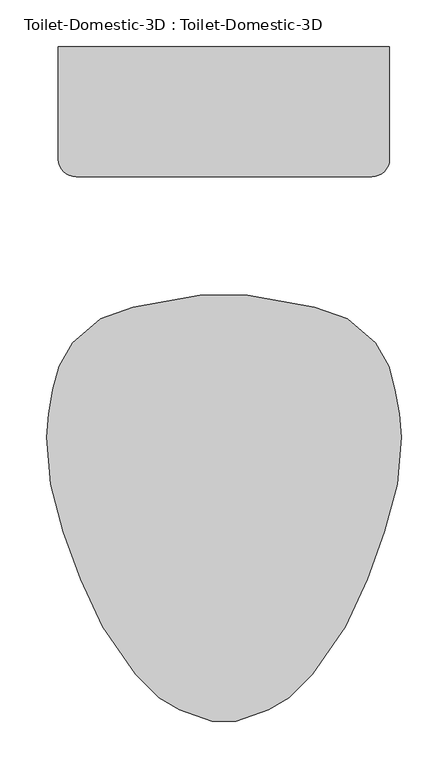
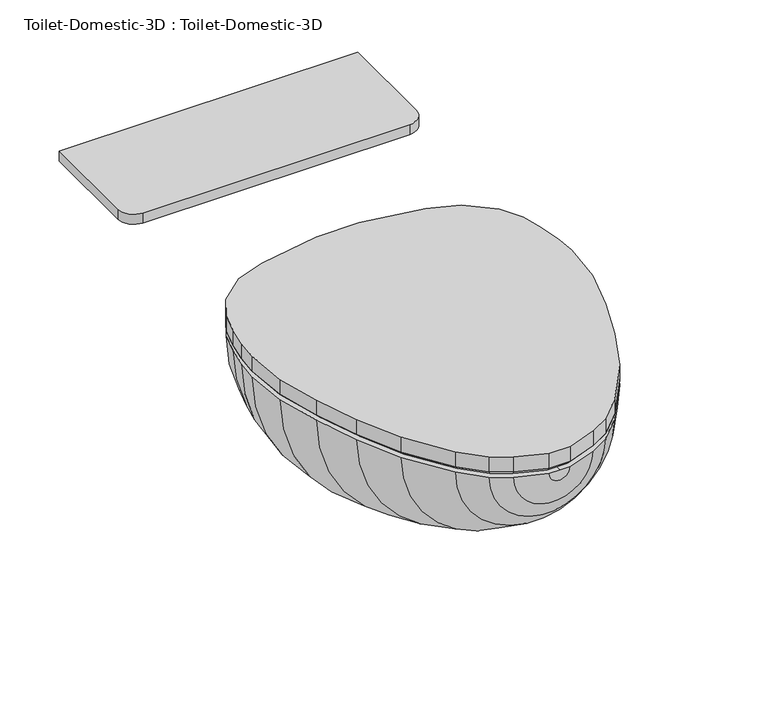
"""IFC4 building model written with IfcOpenShell, lengths in millimetres: flow terminal geometry, Toilet-Domestic-3D : Toilet-Domestic-3D."""

from ifc_helpers import new_model, si_unit, point, frame, frame_2d, origin, place, context, project, spatial, polyline, circle_curve, trimmed, segment, composite_curve, outline, extrude, faceted_brep, source, transform, mapped, element, save
from ifc_brep_helpers import plane_surface, revolved_surface, advanced_brep


def toilet_domestic_3d_toilet_domestic_3d_183bbd19(model_context):
    return source(origin(), model_context, "Body", "SolidModel", [
        advanced_brep(
        [(-25.4, 152.4, 361.95), (-97.4252791, 139.7, 361.95), (-132.3182423, 127.0, 361.95), (-162.5887836, 101.6, 361.95), (-176.9845865, 76.2, 361.95), (-183.790496, 50.8, 361.95), (-188.2862441, 25.3033453, 361.95), (-190.5, 0.0, 361.95), (-186.0724883, -50.6066907, 361.95), (-172.4088722, -101.6, 361.95), (-153.9191843, -152.4, 361.95), (-130.2307553, -203.2, 361.95), (-94.9900085, -254.0, 361.95), (-69.5900085, -279.4, 361.95), (-47.5929632, -292.1, 361.95), (-12.7, -304.8, 361.95), (0.0, -304.8, 361.95), (0.0, -284.592034, 361.95), (-12.5224565, -284.592034, 361.95), (-39.5113323, -274.7688865, 361.95), (-58.4178985, -263.8531754, 361.95), (-79.2146703, -243.0564036, 361.95), (-114.0255101, -192.8761202, 361.95), (-136.654021, -144.3491221, 361.95), (-154.575847, -95.1093097, 361.95), (-167.7238545, -46.0402777, 361.95), (-171.5645445, -2.1409906, 361.95), (-169.3087351, 23.6430284, 361.95), (-165.101298, 47.5045901, 361.95), (-159.5484355, 68.2281551, 361.95), (-146.1085923, 90.5605136, 361.95), (-121.9980886, 110.7916284, 361.95), (-94.1172813, 120.9394123, 361.95), (-22.0920022, 133.6394123, 361.95), (0.0, 133.6394123, 361.95), (0.0, 152.4, 361.95), (25.4, 152.4, 361.95), (22.0920022, 133.6394123, 361.95), (94.1172813, 120.9394123, 361.95), (121.9980886, 110.7916284, 361.95), (146.1085923, 90.5605136, 361.95), (159.5484355, 68.2281551, 361.95), (165.101298, 47.5045901, 361.95), (169.3087351, 23.6430284, 361.95), (171.5645445, -2.1409906, 361.95), (167.7238545, -46.0402777, 361.95), (154.575847, -95.1093097, 361.95), (136.654021, -144.3491221, 361.95), (114.0255101, -192.8761202, 361.95), (79.2146703, -243.0564036, 361.95), (58.4178985, -263.8531754, 361.95), (39.5113323, -274.7688865, 361.95), (12.5224565, -284.592034, 361.95), (12.7, -304.8, 361.95), (47.5929632, -292.1, 361.95), (69.5900085, -279.4, 361.95), (94.9900085, -254.0, 361.95), (130.2307553, -203.2, 361.95), (153.9191843, -152.4, 361.95), (172.4088722, -101.6, 361.95), (186.0724883, -50.6066907, 361.95), (190.5, 0.0, 361.95), (188.2862441, 25.3033453, 361.95), (183.790496, 50.8, 361.95), (176.9845865, 76.2, 361.95), (162.5887836, 101.6, 361.95), (132.3182423, 127.0, 361.95), (97.4252791, 139.7, 361.95)],
        [
            (0, 1),
            (1, 2),
            (2, 3),
            (3, 4),
            (4, 5),
            (5, 6),
            (6, 7),
            (7, 8),
            (8, 9),
            (9, 10),
            (10, 11),
            (11, 12),
            (12, 13),
            (13, 14),
            (14, 15),
            (15, 16),
            (16, 17),
            (17, 18),
            (18, 19),
            (19, 20),
            (20, 21),
            (21, 22),
            (22, 23),
            (23, 24),
            (24, 25),
            (25, 26),
            (26, 27),
            (27, 28),
            (28, 29),
            (29, 30),
            (30, 31),
            (31, 32),
            (32, 33),
            (33, 34),
            (34, 35),
            (35, 0),
            (36, 35),
            (34, 37),
            (37, 38),
            (38, 39),
            (39, 40),
            (40, 41),
            (41, 42),
            (42, 43),
            (43, 44),
            (44, 45),
            (45, 46),
            (46, 47),
            (47, 48),
            (48, 49),
            (49, 50),
            (50, 51),
            (51, 52),
            (52, 17),
            (16, 53),
            (53, 54),
            (54, 55),
            (55, 56),
            (56, 57),
            (57, 58),
            (58, 59),
            (59, 60),
            (60, 61),
            (61, 62),
            (62, 63),
            (63, 64),
            (64, 65),
            (65, 66),
            (66, 67),
            (67, 36),
            (67, 1, circle_curve(frame((0.0, 139.7, 361.95), z_axis=(0.0, 1.0, 0.0), x_axis=(-1.0, 0.0, 0.0)), 97.4252791)),
            (0, 36, circle_curve(frame((0.0, 152.4, 361.95), z_axis=(0.0, -1.0, 0.0), x_axis=(-1.0, 0.0, 0.0)), 25.4)),
            (66, 2, circle_curve(frame((0.0, 127.0, 361.95), z_axis=(0.0, 1.0, 0.0), x_axis=(-1.0, 0.0, 0.0)), 132.3182423)),
            (65, 3, circle_curve(frame((0.0, 101.6, 361.95), z_axis=(0.0, 1.0, 0.0), x_axis=(-1.0, 0.0, 0.0)), 162.5887836)),
            (64, 4, circle_curve(frame((0.0, 76.2, 361.95), z_axis=(0.0, 1.0, 0.0), x_axis=(-1.0, 0.0, 0.0)), 176.9845865)),
            (63, 5, circle_curve(frame((0.0, 50.8, 361.95), z_axis=(0.0, 1.0, 0.0), x_axis=(-1.0, 0.0, 0.0)), 183.790496)),
            (62, 6, circle_curve(frame((0.0, 25.3033453, 361.95), z_axis=(0.0, 1.0, 0.0), x_axis=(-1.0, 0.0, 0.0)), 188.2862441)),
            (61, 7, circle_curve(frame((0.0, 0.0, 361.95), z_axis=(0.0, 1.0, 0.0), x_axis=(-1.0, 0.0, 0.0)), 190.5)),
            (60, 8, circle_curve(frame((0.0, -50.6066907, 361.95), z_axis=(0.0, 1.0, 0.0), x_axis=(-1.0, 0.0, 0.0)), 186.0724883)),
            (59, 9, circle_curve(frame((0.0, -101.6, 361.95), z_axis=(0.0, 1.0, 0.0), x_axis=(-1.0, 0.0, 0.0)), 172.4088722)),
            (58, 10, circle_curve(frame((0.0, -152.4, 361.95), z_axis=(0.0, 1.0, 0.0), x_axis=(-1.0, 0.0, 0.0)), 153.9191843)),
            (57, 11, circle_curve(frame((0.0, -203.2, 361.95), z_axis=(0.0, 1.0, 0.0), x_axis=(-1.0, 0.0, 0.0)), 130.2307553)),
            (56, 12, circle_curve(frame((0.0, -254.0, 361.95), z_axis=(0.0, 1.0, 0.0), x_axis=(-1.0, 0.0, 0.0)), 94.9900085)),
            (55, 13, circle_curve(frame((0.0, -279.4, 361.95), z_axis=(0.0, 1.0, 0.0), x_axis=(-1.0, 0.0, 0.0)), 69.5900085)),
            (54, 14, circle_curve(frame((0.0, -292.1, 361.95), z_axis=(0.0, 1.0, 0.0), x_axis=(-1.0, 0.0, 0.0)), 47.5929632)),
            (53, 15, circle_curve(frame((0.0, -304.8, 361.95), z_axis=(0.0, 1.0, 0.0), x_axis=(-1.0, 0.0, 0.0)), 12.7)),
            (52, 18, circle_curve(frame((0.0, -284.592034, 361.95), z_axis=(0.0, 1.0, 0.0), x_axis=(-1.0, 0.0, 0.0)), 12.5224565)),
            (51, 19, circle_curve(frame((0.0, -274.7688865, 361.95), z_axis=(0.0, 1.0, 0.0), x_axis=(-1.0, 0.0, 0.0)), 39.5113323)),
            (50, 20, circle_curve(frame((0.0, -263.8531754, 361.95), z_axis=(0.0, 1.0, 0.0), x_axis=(-1.0, 0.0, 0.0)), 58.4178985)),
            (49, 21, circle_curve(frame((0.0, -243.0564036, 361.95), z_axis=(0.0, 1.0, 0.0), x_axis=(-1.0, 0.0, 0.0)), 79.2146703)),
            (48, 22, circle_curve(frame((0.0, -192.8761202, 361.95), z_axis=(0.0, 1.0, 0.0), x_axis=(-1.0, 0.0, 0.0)), 114.0255101)),
            (47, 23, circle_curve(frame((0.0, -144.3491221, 361.95), z_axis=(0.0, 1.0, 0.0), x_axis=(-1.0, 0.0, 0.0)), 136.654021)),
            (46, 24, circle_curve(frame((0.0, -95.1093097, 361.95), z_axis=(0.0, 1.0, 0.0), x_axis=(-1.0, 0.0, 0.0)), 154.575847)),
            (45, 25, circle_curve(frame((0.0, -46.0402777, 361.95), z_axis=(0.0, 1.0, 0.0), x_axis=(-1.0, 0.0, 0.0)), 167.7238545)),
            (44, 26, circle_curve(frame((0.0, -2.1409906, 361.95), z_axis=(0.0, 1.0, 0.0), x_axis=(-1.0, 0.0, 0.0)), 171.5645445)),
            (43, 27, circle_curve(frame((0.0, 23.6430284, 361.95), z_axis=(0.0, 1.0, 0.0), x_axis=(-1.0, 0.0, 0.0)), 169.3087351)),
            (42, 28, circle_curve(frame((0.0, 47.5045901, 361.95), z_axis=(0.0, 1.0, 0.0), x_axis=(-1.0, 0.0, 0.0)), 165.101298)),
            (41, 29, circle_curve(frame((0.0, 68.2281551, 361.95), z_axis=(0.0, 1.0, 0.0), x_axis=(-1.0, 0.0, 0.0)), 159.5484355)),
            (40, 30, circle_curve(frame((0.0, 90.5605136, 361.95), z_axis=(0.0, 1.0, 0.0), x_axis=(-1.0, 0.0, 0.0)), 146.1085923)),
            (39, 31, circle_curve(frame((0.0, 110.7916284, 361.95), z_axis=(0.0, 1.0, 0.0), x_axis=(-1.0, 0.0, 0.0)), 121.9980886)),
            (38, 32, circle_curve(frame((0.0, 120.9394123, 361.95), z_axis=(0.0, 1.0, 0.0), x_axis=(-1.0, 0.0, 0.0)), 94.1172813)),
            (37, 33, circle_curve(frame((0.0, 133.6394123, 361.95), z_axis=(0.0, 1.0, 0.0), x_axis=(-1.0, 0.0, 0.0)), 22.0920022)),
        ],
        [
            plane_surface(frame((0.0, 175.1599017, 361.95), z_axis=(0.0, 0.0, 1.0), x_axis=(-1.0, 0.0, 0.0))),
            plane_surface(frame((0.0, 175.1599017, 361.95), z_axis=(0.0, 0.0, 1.0), x_axis=(1.0, 0.0, 0.0))),
            revolved_surface(polyline([(-25.4, 152.4, 361.95), (-97.4252791, 139.7, 361.95)]), (0.0, 175.1599017, 361.95), (0.0, -1.0, 0.0)),
            revolved_surface(polyline([(-97.4252791, 139.7, 361.95), (-132.3182423, 127.0, 361.95)]), (0.0, 175.1599017, 361.95), (0.0, -1.0, 0.0)),
            revolved_surface(polyline([(-132.3182423, 127.0, 361.95), (-162.5887836, 101.6, 361.95)]), (0.0, 175.1599017, 361.95), (0.0, -1.0, 0.0)),
            revolved_surface(polyline([(-162.5887836, 101.6, 361.95), (-176.9845865, 76.2, 361.95)]), (0.0, 175.1599017, 361.95), (0.0, -1.0, 0.0)),
            revolved_surface(polyline([(-176.9845865, 76.2, 361.95), (-183.790496, 50.8, 361.95)]), (0.0, 175.1599017, 361.95), (0.0, -1.0, 0.0)),
            revolved_surface(polyline([(-183.790496, 50.8, 361.95), (-188.2862441, 25.3033453, 361.95)]), (0.0, 175.1599017, 361.95), (0.0, -1.0, 0.0)),
            revolved_surface(polyline([(-188.2862441, 25.3033453, 361.95), (-190.5, 0.0, 361.95)]), (0.0, 175.1599017, 361.95), (0.0, -1.0, 0.0)),
            revolved_surface(polyline([(-190.5, 0.0, 361.95), (-186.0724883, -50.6066907, 361.95)]), (0.0, 175.1599017, 361.95), (0.0, -1.0, 0.0)),
            revolved_surface(polyline([(-186.0724883, -50.6066907, 361.95), (-172.4088722, -101.6, 361.95)]), (0.0, 175.1599017, 361.95), (0.0, -1.0, 0.0)),
            revolved_surface(polyline([(-172.4088722, -101.6, 361.95), (-153.9191843, -152.4, 361.95)]), (0.0, 175.1599017, 361.95), (0.0, -1.0, 0.0)),
            revolved_surface(polyline([(-153.9191843, -152.4, 361.95), (-130.2307553, -203.2, 361.95)]), (0.0, 175.1599017, 361.95), (0.0, -1.0, 0.0)),
            revolved_surface(polyline([(-130.2307553, -203.2, 361.95), (-94.9900085, -254.0, 361.95)]), (0.0, 175.1599017, 361.95), (0.0, -1.0, 0.0)),
            revolved_surface(polyline([(-94.9900085, -254.0, 361.95), (-69.5900085, -279.4, 361.95)]), (0.0, 175.1599017, 361.95), (0.0, -1.0, 0.0)),
            revolved_surface(polyline([(-69.5900085, -279.4, 361.95), (-47.5929632, -292.1, 361.95)]), (0.0, 175.1599017, 361.95), (0.0, -1.0, 0.0)),
            revolved_surface(polyline([(-47.5929632, -292.1, 361.95), (-12.7, -304.8, 361.95)]), (0.0, 175.1599017, 361.95), (0.0, -1.0, 0.0)),
            plane_surface(frame((0.0, -304.8, 361.95), z_axis=(0.0, -1.0, 0.0), x_axis=(-1.0, 0.0, 0.0))),
            plane_surface(frame((0.0, -284.592034, 361.95), z_axis=(0.0, 1.0, 0.0), x_axis=(-1.0, 0.0, 0.0))),
            revolved_surface(polyline([(-12.5224565, -284.592034, 361.95), (-39.5113323, -274.7688865, 361.95)]), (0.0, 175.1599017, 361.95), (0.0, -1.0, 0.0)),
            revolved_surface(polyline([(-39.5113323, -274.7688865, 361.95), (-58.4178985, -263.8531754, 361.95)]), (0.0, 175.1599017, 361.95), (0.0, -1.0, 0.0)),
            revolved_surface(polyline([(-58.4178985, -263.8531754, 361.95), (-79.2146703, -243.0564036, 361.95)]), (0.0, 175.1599017, 361.95), (0.0, -1.0, 0.0)),
            revolved_surface(polyline([(-79.2146703, -243.0564036, 361.95), (-114.0255101, -192.8761202, 361.95)]), (0.0, 175.1599017, 361.95), (0.0, -1.0, 0.0)),
            revolved_surface(polyline([(-114.0255101, -192.8761202, 361.95), (-136.654021, -144.3491221, 361.95)]), (0.0, 175.1599017, 361.95), (0.0, -1.0, 0.0)),
            revolved_surface(polyline([(-136.654021, -144.3491221, 361.95), (-154.575847, -95.1093097, 361.95)]), (0.0, 175.1599017, 361.95), (0.0, -1.0, 0.0)),
            revolved_surface(polyline([(-154.575847, -95.1093097, 361.95), (-167.7238545, -46.0402777, 361.95)]), (0.0, 175.1599017, 361.95), (0.0, -1.0, 0.0)),
            revolved_surface(polyline([(-167.7238545, -46.0402777, 361.95), (-171.5645445, -2.1409906, 361.95)]), (0.0, 175.1599017, 361.95), (0.0, -1.0, 0.0)),
            revolved_surface(polyline([(-171.5645445, -2.1409906, 361.95), (-169.3087351, 23.6430284, 361.95)]), (0.0, 175.1599017, 361.95), (0.0, -1.0, 0.0)),
            revolved_surface(polyline([(-169.3087351, 23.6430284, 361.95), (-165.101298, 47.5045901, 361.95)]), (0.0, 175.1599017, 361.95), (0.0, -1.0, 0.0)),
            revolved_surface(polyline([(-165.101298, 47.5045901, 361.95), (-159.5484355, 68.2281551, 361.95)]), (0.0, 175.1599017, 361.95), (0.0, -1.0, 0.0)),
            revolved_surface(polyline([(-159.5484355, 68.2281551, 361.95), (-146.1085923, 90.5605136, 361.95)]), (0.0, 175.1599017, 361.95), (0.0, -1.0, 0.0)),
            revolved_surface(polyline([(-146.1085923, 90.5605136, 361.95), (-121.9980886, 110.7916284, 361.95)]), (0.0, 175.1599017, 361.95), (0.0, -1.0, 0.0)),
            revolved_surface(polyline([(-121.9980886, 110.7916284, 361.95), (-94.1172813, 120.9394123, 361.95)]), (0.0, 175.1599017, 361.95), (0.0, -1.0, 0.0)),
            revolved_surface(polyline([(-94.1172813, 120.9394123, 361.95), (-22.0920022, 133.6394123, 361.95)]), (0.0, 175.1599017, 361.95), (0.0, -1.0, 0.0)),
            plane_surface(frame((0.0, 133.6394123, 361.95), z_axis=(0.0, -1.0, 0.0), x_axis=(-1.0, 0.0, 0.0))),
            plane_surface(frame((0.0, 152.4, 361.95), z_axis=(0.0, 1.0, 0.0), x_axis=(-1.0, 0.0, 0.0))),
        ],
        [
            (0, [[1, 2, 3, 4, 5, 6, 7, 8, 9, 10, 11, 12, 13, 14, 15, 16, 17, 18, 19, 20, 21, 22, 23, 24, 25, 26, 27, 28, 29, 30, 31, 32, 33, 34, 35, 36]]),
            (1, [[37, -35, 38, 39, 40, 41, 42, 43, 44, 45, 46, 47, 48, 49, 50, 51, 52, 53, 54, -17, 55, 56, 57, 58, 59, 60, 61, 62, 63, 64, 65, 66, 67, 68, 69, 70]]),
            (2, [[71, -1, 72, -70]]),
            (3, [[73, -2, -71, -69]]),
            (4, [[74, -3, -73, -68]]),
            (5, [[75, -4, -74, -67]]),
            (6, [[76, -5, -75, -66]]),
            (7, [[77, -6, -76, -65]]),
            (8, [[78, -7, -77, -64]]),
            (9, [[79, -8, -78, -63]]),
            (10, [[80, -9, -79, -62]]),
            (11, [[81, -10, -80, -61]]),
            (12, [[82, -11, -81, -60]]),
            (13, [[83, -12, -82, -59]]),
            (14, [[84, -13, -83, -58]]),
            (15, [[85, -14, -84, -57]]),
            (16, [[86, -15, -85, -56]]),
            (17, [[-16, -86, -55]]),
            (18, [[87, -18, -54]]),
            (19, [[88, -19, -87, -53]]),
            (20, [[89, -20, -88, -52]]),
            (21, [[90, -21, -89, -51]]),
            (22, [[91, -22, -90, -50]]),
            (23, [[92, -23, -91, -49]]),
            (24, [[93, -24, -92, -48]]),
            (25, [[94, -25, -93, -47]]),
            (26, [[95, -26, -94, -46]]),
            (27, [[96, -27, -95, -45]]),
            (28, [[97, -28, -96, -44]]),
            (29, [[98, -29, -97, -43]]),
            (30, [[99, -30, -98, -42]]),
            (31, [[100, -31, -99, -41]]),
            (32, [[101, -32, -100, -40]]),
            (33, [[102, -33, -101, -39]]),
            (34, [[-34, -102, -38]]),
            (35, [[-72, -36, -37]]),
        ],
    ),
        faceted_brep([(-97.4252791, 139.7, 368.3), (-132.3182423, 127.0, 368.3), (-162.5887836, 101.6, 368.3), (-176.9845865, 76.2, 368.3), (-183.790496, 50.8, 368.3), (-188.2862441, 25.3033453, 368.3), (-190.5, 0.0, 368.3), (-186.0724883, -50.6066907, 368.3), (-172.4088722, -101.6, 368.3), (-153.9191843, -152.4, 368.3), (-130.2307553, -203.2, 368.3), (-94.9900085, -254.0, 368.3), (-69.5900085, -279.4, 368.3), (-47.5929632, -292.1, 368.3), (-12.7, -304.8, 368.3), (12.7, -304.8, 368.3), (47.5929632, -292.1, 368.3), (69.5900085, -279.4, 368.3), (94.9900085, -254.0, 368.3), (130.2307553, -203.2, 368.3), (153.9191843, -152.4, 368.3), (172.4088722, -101.6, 368.3), (186.0724883, -50.6066907, 368.3), (190.5, 0.0, 368.3), (188.2862441, 25.3033453, 368.3), (183.790496, 50.8, 368.3), (176.9845865, 76.2, 368.3), (162.5887836, 101.6, 368.3), (132.3182423, 127.0, 368.3), (97.4252791, 139.7, 368.3), (25.4, 152.4, 368.3), (-25.4, 152.4, 368.3), (-95.7755003, 133.5429415, 361.95), (-24.844447, 146.05, 361.95), (24.844447, 146.05, 361.95), (95.7755003, 133.5429415, 361.95), (129.0942628, 121.4159037, 361.95), (157.6293435, 97.472128, 361.95), (171.060664, 73.773864, 361.95), (177.5851102, 49.4242991, 361.95), (181.9845715, 24.4737144, 361.95), (184.125744, 0.0, 361.95), (179.7950716, -49.4998127, 361.95), (166.347, -99.688699, 361.95), (148.0469602, -149.9676451, 361.95), (124.7045808, -200.0255393, 361.95), (90.0971582, -249.9125941, 361.95), (65.691017, -274.3187354, 361.95), (44.8990862, -286.3229622, 361.95), (11.5803237, -298.45, 361.95), (-11.5803237, -298.45, 361.95), (-44.8990862, -286.3229622, 361.95), (-65.691017, -274.3187354, 361.95), (-90.0971582, -249.9125941, 361.95), (-124.7045808, -200.0255393, 361.95), (-148.0469602, -149.9676451, 361.95), (-166.347, -99.688699, 361.95), (-179.7950716, -49.4998127, 361.95), (-184.125744, 0.0, 361.95), (-181.9845715, 24.4737144, 361.95), (-177.5851102, 49.4242991, 361.95), (-171.060664, 73.773864, 361.95), (-157.6293435, 97.472128, 361.95), (-129.0942628, 121.4159037, 361.95)], [[[0, 1, 2, 3, 4, 5, 6, 7, 8, 9, 10, 11, 12, 13, 14, 15, 16, 17, 18, 19, 20, 21, 22, 23, 24, 25, 26, 27, 28, 29, 30, 31]], [[32, 33, 34, 35, 36, 37, 38, 39, 40, 41, 42, 43, 44, 45, 46, 47, 48, 49, 50, 51, 52, 53, 54, 55, 56, 57, 58, 59, 60, 61, 62, 63]], [[32, 63, 1, 0]], [[63, 62, 2, 1]], [[62, 61, 3, 2]], [[61, 60, 4, 3]], [[60, 59, 5, 4]], [[59, 58, 6, 5]], [[58, 57, 7, 6]], [[57, 56, 8, 7]], [[56, 55, 9, 8]], [[55, 54, 10, 9]], [[54, 53, 11, 10]], [[53, 52, 12, 11]], [[52, 51, 13, 12]], [[51, 50, 14, 13]], [[50, 49, 15, 14]], [[49, 48, 16, 15]], [[48, 47, 17, 16]], [[47, 46, 18, 17]], [[46, 45, 19, 18]], [[45, 44, 20, 19]], [[44, 43, 21, 20]], [[43, 42, 22, 21]], [[42, 41, 23, 22]], [[41, 40, 24, 23]], [[40, 39, 25, 24]], [[39, 38, 26, 25]], [[38, 37, 27, 26]], [[37, 36, 28, 27]], [[36, 35, 29, 28]], [[35, 34, 30, 29]], [[34, 33, 31, 30]], [[33, 32, 0, 31]]]),
        extrude(outline(composite_curve([segment(polyline([(177.8, 419.1), (177.8, 298.45)]), True, "CONTINUOUS"), segment(trimmed(circle_curve(frame_2d((158.75, 298.45)), 19.05), [point((177.8, 298.45))], [point((158.75, 279.4))], False, "CARTESIAN"), True, "CONTINUOUS"), segment(polyline([(158.75, 279.4), (-158.75, 279.4)]), True, "CONTINUOUS"), segment(trimmed(circle_curve(frame_2d((-158.75, 298.45)), 19.05), [point((-158.75, 279.4))], [point((-177.8, 298.45))], False, "CARTESIAN"), True, "CONTINUOUS"), segment(polyline([(-177.8, 298.45), (-177.8, 419.1), (177.8, 419.1)]), True, "CONTINUOUS")], self_intersect=False)), frame((0.0, 0.0, 374.65), z_axis=(0.0, 0.0, 1.0), x_axis=(1.0, 0.0, 0.0)), (0.0, 0.0, 1.0), 12.5681453),
        extrude(outline(polyline([(-162.5887836, 101.6), (-132.3182423, 127.0), (-97.4252791, 139.7), (-25.4, 152.4), (25.4, 152.4), (97.4252791, 139.7), (132.3182423, 127.0), (162.5887836, 101.6), (176.9845865, 76.2), (183.790496, 50.8), (188.2862441, 25.3033453), (190.5, 0.0), (186.0724883, -50.6066907), (172.4088722, -101.6), (153.9191843, -152.4), (130.2307553, -203.2), (94.9900085, -254.0), (69.5900085, -279.4), (47.5929632, -292.1), (12.7, -304.8), (-12.7, -304.8), (-47.5929632, -292.1), (-69.5900085, -279.4), (-94.9900085, -254.0), (-130.2307553, -203.2), (-153.9191843, -152.4), (-172.4088722, -101.6), (-186.0724883, -50.6066907), (-190.5, 0.0), (-188.2862441, 25.3033453), (-183.790496, 50.8), (-176.9845865, 76.2), (-162.5887836, 101.6)])), frame((0.0, 0.0, 368.3), z_axis=(0.0, 0.0, 1.0), x_axis=(1.0, 0.0, 0.0)), (0.0, 0.0, 1.0), 19.05),
    ])


if __name__ == "__main__":
    model = new_model("IFC4")
    model_context = context("Model", 3, world=origin())
    ifc_project = project(units=[si_unit("LENGTHUNIT", "METRE", prefix="MILLI")], contexts=[model_context])
    site = spatial("IfcSite", under=ifc_project)
    building = spatial("IfcBuilding", under=site)
    placement = place(None, origin())
    toilet_domestic_3d_toilet_domestic_3d_shape = toilet_domestic_3d_toilet_domestic_3d_183bbd19(model_context)
    element("IfcFlowTerminal", 1, ObjectType="Toilet-Domestic-3D : Toilet-Domestic-3D", at=placement, inside=building, context=model_context, shape_type="MappedRepresentation", body=[
        mapped(toilet_domestic_3d_toilet_domestic_3d_shape, transform((0.0, 0.0, 0.0), x_axis=(1.0, 0.0, 0.0), y_axis=(0.0, 1.0, 0.0), z_axis=(0.0, 0.0, 1.0))),
    ])
    save(model, "model.ifc")
